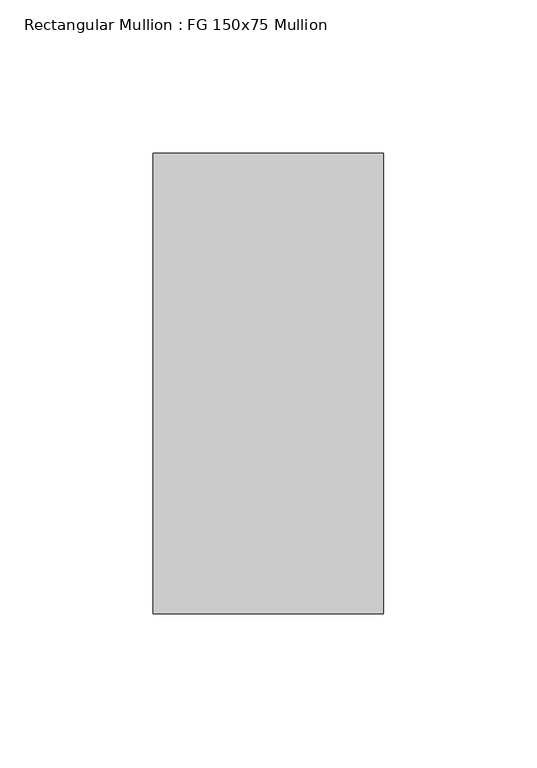
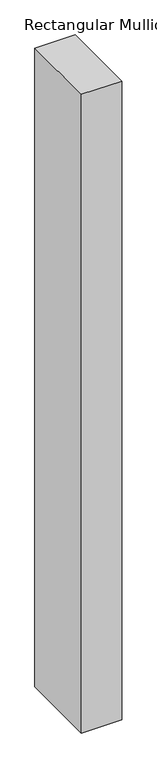
"""IFC4 building model written with IfcOpenShell, lengths in millimetres: member geometry, Rectangular Mullion : FG 150x75 Mullion."""

from ifc_helpers import new_model, si_unit, frame, origin, place, context, project, spatial, polyline, outline, extrude, source, transform, mapped, element, save


def rectangular_mullion_fg_150x75_mullion_d3676e6f(model_context):
    return source(origin(), model_context, "Body", "SweptSolid", [
        extrude(outline(polyline([(37.5, 75.0), (37.5, -75.0), (-37.5, -75.0), (-37.5, 75.0), (37.5, 75.0)])), frame((0.0, 0.0, -1257.5336396), z_axis=(0.0, 0.0, 1.0), x_axis=(1.0, 0.0, 0.0)), (0.0, 0.0, 1.0), 1257.5336396),
    ])


if __name__ == "__main__":
    model = new_model("IFC4")
    model_context = context("Model", 3, world=origin())
    ifc_project = project(units=[si_unit("LENGTHUNIT", "METRE", prefix="MILLI")], contexts=[model_context])
    site = spatial("IfcSite", under=ifc_project)
    building = spatial("IfcBuilding", under=site)
    placement = place(None, origin())
    rectangular_mullion_fg_150x75_mullion_shape = rectangular_mullion_fg_150x75_mullion_d3676e6f(model_context)
    element("IfcMember", 1, ObjectType="Rectangular Mullion : FG 150x75 Mullion", at=placement, inside=building, context=model_context, shape_type="MappedRepresentation", body=[
        mapped(rectangular_mullion_fg_150x75_mullion_shape, transform((0.0, 0.0, 0.0), x_axis=(1.0, 0.0, 0.0), y_axis=(0.0, 1.0, 0.0), z_axis=(0.0, 0.0, 1.0))),
    ])
    save(model, "model.ifc")
